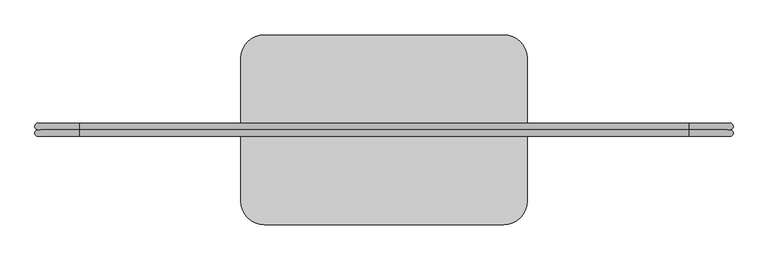
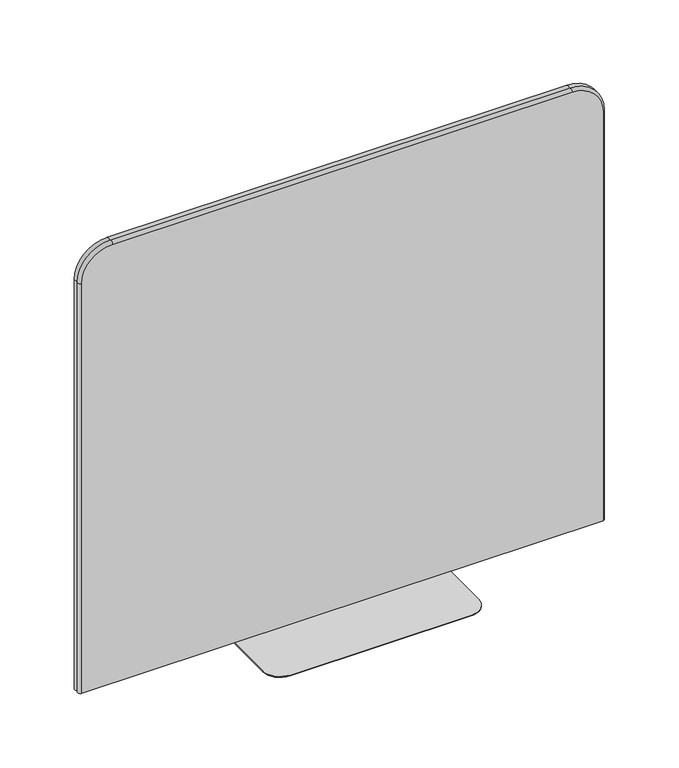
"""IFC4 building model written with IfcOpenShell, lengths in millimetres: furniture geometry."""

from ifc_helpers import new_model, si_unit, point, frame, frame_2d, origin, origin_with_axes, place, context, project, spatial, polyline, circle_curve, ellipse_curve, trimmed, segment, composite_curve, outline, extrude, source, transform, mapped, element, save
from ifc_brep_helpers import plane_surface, cylinder_surface, revolved_surface, advanced_brep


def furniture_dc6179b5(model_context):
    return source(origin(), model_context, "Body", "SolidModel", [
        advanced_brep(
        [(893.0792664, -54.7578317, 3.0), (893.0792664, -72.0728847, 3.0), (893.042119, -89.3879376, 3.0), (-893.042119, -89.3879376, 3.0), (-893.042119, -72.0728847, 3.0), (-893.0792664, -54.7578317, 3.0), (-893.0792664, -54.7578317, 1485.9), (-787.4, -54.7578317, 1591.5792664), (787.4, -54.7578317, 1591.5792664), (893.0792664, -54.7578317, 1485.9), (893.042119, -89.3879376, 1485.9), (787.4, -89.3879376, 1591.542119), (-787.4, -89.3879376, 1591.542119), (-893.042119, -89.3879376, 1485.9), (-893.042119, -72.0728847, 1485.9), (-787.4, -72.0728847, 1591.542119), (787.4, -72.0728847, 1591.542119), (893.042119, -72.0728847, 1485.9)],
        [
            (0, 1, circle_curve(frame((893.0792664, -63.4153582, 3.0), z_axis=(0.0, 0.0, -1.0), x_axis=(1.0, 0.0, 0.0)), 8.6575265)),
            (1, 2, circle_curve(frame((893.042119, -80.7304112, 3.0), z_axis=(0.0, 0.0, -1.0), x_axis=(1.0, 0.0, 0.0)), 8.6575265)),
            (2, 3),
            (3, 4, circle_curve(frame((-893.042119, -80.7304112, 3.0), z_axis=(0.0, 0.0, -1.0), x_axis=(-1.0, 0.0, 0.0)), 8.6575265)),
            (4, 5, circle_curve(frame((-893.0792664, -63.4153582, 3.0), z_axis=(0.0, 0.0, -1.0), x_axis=(-1.0, 0.0, 0.0)), 8.6575265)),
            (5, 0),
            (5, 6),
            (6, 7, circle_curve(frame((-787.4, -54.7578317, 1485.9), z_axis=(0.0, 1.0, 0.0), x_axis=(-1.0, 0.0, 0.0)), 105.6792664)),
            (7, 8),
            (8, 9, circle_curve(frame((787.4, -54.7578317, 1485.9), z_axis=(0.0, 1.0, 0.0), x_axis=(0.0, 0.0, 1.0)), 105.6792664)),
            (9, 0),
            (2, 10),
            (10, 11, circle_curve(frame((787.4, -89.3879376, 1485.9), z_axis=(0.0, -1.0, 0.0), x_axis=(0.0, 0.0, 1.0)), 105.642119)),
            (11, 12),
            (12, 13, circle_curve(frame((-787.4, -89.3879376, 1485.9), z_axis=(0.0, -1.0, 0.0), x_axis=(-1.0, 0.0, 0.0)), 105.642119)),
            (13, 3),
            (13, 14, circle_curve(frame((-893.042119, -80.7304112, 1485.9), z_axis=(0.0, 0.0, -1.0), x_axis=(-1.0, 0.0, 0.0)), 8.6575265)),
            (14, 4),
            (14, 6, circle_curve(frame((-893.0792664, -63.4153582, 1485.9), z_axis=(0.0, 0.0, -1.0), x_axis=(-1.0, 0.0, 0.0)), 8.6575265)),
            (12, 15, circle_curve(frame((-787.4, -80.7304112, 1591.542119), z_axis=(-1.0, 0.0, 0.0), x_axis=(0.0, 0.0, 1.0)), 8.6575265)),
            (15, 14, circle_curve(frame((-787.4, -72.0728847, 1485.9), z_axis=(0.0, -1.0, 0.0), x_axis=(-1.0, 0.0, 0.0)), 105.642119)),
            (15, 7, circle_curve(frame((-787.4, -63.4153582, 1591.5792664), z_axis=(-1.0, 0.0, 0.0), x_axis=(0.0, 0.0, 1.0)), 8.6575265)),
            (11, 16, circle_curve(frame((787.4, -80.7304112, 1591.542119), z_axis=(-1.0, 0.0, 0.0), x_axis=(0.0, 0.0, 1.0)), 8.6575265)),
            (16, 15),
            (16, 8, circle_curve(frame((787.4, -63.4153582, 1591.5792664), z_axis=(-1.0, 0.0, 0.0), x_axis=(0.0, 0.0, 1.0)), 8.6575265)),
            (10, 17, circle_curve(frame((893.042119, -80.7304112, 1485.9), z_axis=(0.0, 0.0, 1.0), x_axis=(1.0, 0.0, 0.0)), 8.6575265)),
            (17, 16, circle_curve(frame((787.4, -72.0728847, 1485.9), z_axis=(0.0, -1.0, 0.0), x_axis=(0.0, 0.0, 1.0)), 105.642119)),
            (17, 9, circle_curve(frame((893.0792664, -63.4153582, 1485.9), z_axis=(0.0, 0.0, 1.0), x_axis=(1.0, 0.0, 0.0)), 8.6575265)),
            (1, 17),
        ],
        [
            plane_surface(frame((-871.5375, -72.0728847, 3.0), z_axis=(0.0, 0.0, -1.0), x_axis=(0.0, -1.0, 0.0))),
            plane_surface(frame((-893.0792664, -54.7578317, 3.0), z_axis=(0.0, 1.0, 0.0), x_axis=(0.0, 0.0, 1.0))),
            plane_surface(frame((-871.5375, -89.3879376, 3.0), z_axis=(0.0, -1.0, 0.0), x_axis=(0.0, 0.0, 1.0))),
            cylinder_surface(frame((-893.042119, -80.7304112, 3.0), z_axis=(0.0, 0.0, -1.0), x_axis=(-1.0, 0.0, 0.0)), 8.6575265),
            cylinder_surface(frame((-893.0792664, -63.4153582, 3.0), z_axis=(0.0, 0.0, -1.0), x_axis=(-1.0, 0.0, 0.0)), 8.6575265),
            revolved_surface(trimmed(ellipse_curve(frame((-893.042119, -80.7304112, 1485.9), z_axis=(0.0, 0.0, -1.0), x_axis=(-1.0, 0.0, 0.0)), 8.6575265, 8.6575265), [point((-893.042119, -89.3879376, 1485.9))], [point((-893.042119, -72.0728847, 1485.9))], True, "CARTESIAN"), (-787.4, -72.0728847, 1485.9), (0.0, 1.0, 0.0)),
            revolved_surface(trimmed(ellipse_curve(frame((-893.0792664, -63.4153582, 1485.9), z_axis=(0.0, 0.0, -1.0), x_axis=(-1.0, 0.0, 0.0)), 8.6575265, 8.6575265), [point((-893.0792664, -72.0728847, 1485.9))], [point((-893.0792664, -54.7578317, 1485.9))], True, "CARTESIAN"), (-787.4, -72.0728847, 1485.9), (0.0, 1.0, 0.0)),
            cylinder_surface(frame((-787.4, -80.7304112, 1591.542119), z_axis=(-1.0, 0.0, 0.0), x_axis=(0.0, 0.0, 1.0)), 8.6575265),
            cylinder_surface(frame((-787.4, -63.4153582, 1591.5792664), z_axis=(-1.0, 0.0, 0.0), x_axis=(0.0, 0.0, 1.0)), 8.6575265),
            revolved_surface(trimmed(ellipse_curve(frame((787.4, -80.7304112, 1591.542119), z_axis=(-1.0, 0.0, 0.0), x_axis=(0.0, 0.0, 1.0)), 8.6575265, 8.6575265), [point((787.4, -89.3879376, 1591.542119))], [point((787.4, -72.0728847, 1591.542119))], True, "CARTESIAN"), (787.4, -72.0728847, 1485.9), (0.0, 1.0, 0.0)),
            revolved_surface(trimmed(ellipse_curve(frame((787.4, -63.4153582, 1591.5792664), z_axis=(-1.0, 0.0, 0.0), x_axis=(0.0, 0.0, 1.0)), 8.6575265, 8.6575265), [point((787.4, -72.0728847, 1591.5792664))], [point((787.4, -54.7578317, 1591.5792664))], True, "CARTESIAN"), (787.4, -72.0728847, 1485.9), (0.0, 1.0, 0.0)),
            cylinder_surface(frame((893.042119, -80.7304112, 1485.9), z_axis=(0.0, 0.0, 1.0), x_axis=(1.0, 0.0, 0.0)), 8.6575265),
            cylinder_surface(frame((893.0792664, -63.4153582, 1485.9), z_axis=(0.0, 0.0, 1.0), x_axis=(1.0, 0.0, 0.0)), 8.6575265),
        ],
        [
            (0, [[1, 2, 3, 4, 5, 6]]),
            (1, [[-6, 7, 8, 9, 10, 11]]),
            (2, [[-3, 12, 13, 14, 15, 16]]),
            (3, [[-4, -16, 17, 18]]),
            (4, [[-5, -18, 19, -7]]),
            (5, [[-15, 20, 21, -17]]),
            (6, [[-8, -19, -21, 22]]),
            (7, [[-14, 23, 24, -20]]),
            (8, [[-9, -22, -24, 25]]),
            (9, [[-13, 26, 27, -23]]),
            (10, [[-10, -25, -27, 28]]),
            (11, [[-12, -2, 29, -26]]),
            (12, [[-11, -28, -29, -1]]),
        ],
    ),
        extrude(outline(composite_curve([segment(trimmed(circle_curve(frame_2d((309.626, 112.5851153)), 60.325), [point((309.626, 172.9101153))], [point((369.951, 112.5851153))], False, "CARTESIAN"), True, "CONTINUOUS"), segment(polyline([(369.951, 112.5851153), (369.951, -256.7308847)]), True, "CONTINUOUS"), segment(trimmed(circle_curve(frame_2d((309.626, -256.7308847)), 60.325), [point((369.951, -256.7308847))], [point((309.626, -317.0558847))], False, "CARTESIAN"), True, "CONTINUOUS"), segment(polyline([(309.626, -317.0558847), (-309.626, -317.0558847)]), True, "CONTINUOUS"), segment(trimmed(circle_curve(frame_2d((-309.626, -256.7308847)), 60.325), [point((-309.626, -317.0558847))], [point((-369.951, -256.7308847))], False, "CARTESIAN"), True, "CONTINUOUS"), segment(polyline([(-369.951, -256.7308847), (-369.951, 112.5851153)]), True, "CONTINUOUS"), segment(trimmed(circle_curve(frame_2d((-309.626, 112.5851153)), 60.325), [point((-369.951, 112.5851153))], [point((-309.626, 172.9101153))], False, "CARTESIAN"), True, "CONTINUOUS"), segment(polyline([(-309.626, 172.9101153), (309.626, 172.9101153)]), True, "CONTINUOUS")], self_intersect=False)), origin_with_axes(), (0.0, 0.0, 1.0), 3.0),
    ])


if __name__ == "__main__":
    model = new_model("IFC4")
    model_context = context("Model", 3, world=origin())
    ifc_project = project(units=[si_unit("LENGTHUNIT", "METRE", prefix="MILLI")], contexts=[model_context])
    site = spatial("IfcSite", under=ifc_project)
    building = spatial("IfcBuilding", under=site)
    placement = place(None, origin())
    furniture_shape = furniture_dc6179b5(model_context)
    element("IfcFurniture", 1, at=placement, inside=building, context=model_context, shape_type="MappedRepresentation", body=[
        mapped(furniture_shape, transform((0.0, 0.0, 0.0), x_axis=(1.0, 0.0, 0.0), y_axis=(0.0, 1.0, 0.0), z_axis=(0.0, 0.0, 1.0))),
    ])
    save(model, "model.ifc")
